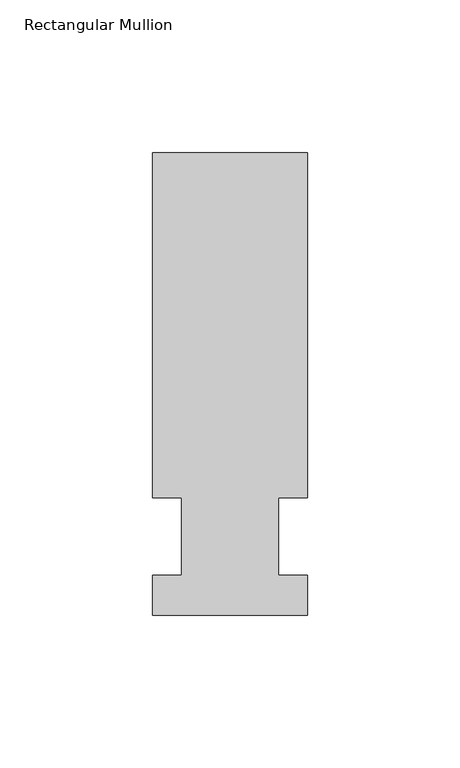
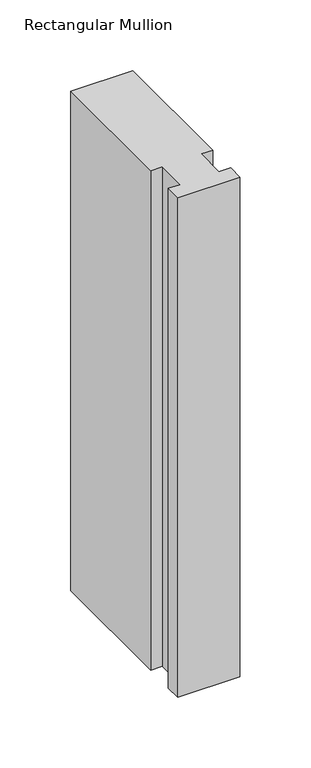
"""IFC4 building model written with IfcOpenShell, lengths in millimetres: member geometry, Rectangular Mullion."""

import ifcopenshell
import ifcopenshell.guid

model = None  # the IFC model being written
_history = None  # IfcOwnerHistory: only IFC2X3 demands one
_inside = {}  # id of a spatial element -> (the spatial element, [elements in it])
_under = {}  # id of a project, library or spatial element -> (it, [spatial elements below it])
_declared = {}  # id of a project -> (the project, [libraries it declares])
_typed = {}  # id of a type object -> (the type object, [elements of that type])
_made_of = {}  # id of a material, layer set ... -> (it, [elements and type objects made of it])


def new_model(schema):
    """Start an empty IFC model of exactly this schema.

    Asked for "IFC4X3", IfcOpenShell would pick the latest addendum, in which some entities
    have other attributes; the version numbers below select the first issue.
    IFC2X3 requires an IfcOwnerHistory on every rooted entity: one is made here for all.
    """
    global model, _history
    if schema == "IFC4X3":
        model = ifcopenshell.file(schema_version=(4, 3, 0, 0))
    else:
        model = ifcopenshell.file(schema=schema)
    _inside.clear()
    _under.clear()
    _declared.clear()
    _typed.clear()
    _made_of.clear()
    _history = None
    if model.schema == "IFC2X3":
        org = make("IfcOrganization", Name="unknown")
        user = make(
            "IfcPersonAndOrganization",
            ThePerson=make("IfcPerson", FamilyName="unknown"),
            TheOrganization=org,
        )
        app = make(
            "IfcApplication",
            ApplicationDeveloper=org,
            Version="unknown",
            ApplicationFullName="unknown",
            ApplicationIdentifier="unknown",
        )
        _history = make(
            "IfcOwnerHistory",
            OwningUser=user,
            OwningApplication=app,
            ChangeAction="ADDED",
            CreationDate=0,
        )
    return model


def make(cls, **values):
    """One entity of the class cls with the attributes given. An attribute that is None is left unset."""
    return model.create_entity(
        cls, **{name: value for name, value in values.items() if value is not None}
    )


def rooted(cls, **values):
    """An entity with a GlobalId (a new one), such as an element, a storey or a relation."""
    return make(cls, GlobalId=ifcopenshell.guid.new(), OwnerHistory=_history, **values)


def si_unit(unit_type, name, prefix=None):
    """IfcSIUnit, for example si_unit("LENGTHUNIT", "METRE", prefix="MILLI")."""
    return make("IfcSIUnit", UnitType=unit_type, Prefix=prefix, Name=name)


def assignment(units):
    """IfcUnitAssignment: the units of a project."""
    return None if units is None else make("IfcUnitAssignment", Units=units)


def point(xyz):
    """IfcCartesianPoint."""
    return None if xyz is None else make("IfcCartesianPoint", Coordinates=xyz)


def direction(xyz):
    """IfcDirection."""
    return None if xyz is None else make("IfcDirection", DirectionRatios=xyz)


def frame(location, z_axis=None, x_axis=None):
    """IfcAxis2Placement3D, a coordinate frame: its origin and axes. An axis left out is left unset."""
    return make(
        "IfcAxis2Placement3D",
        Location=point(location),
        Axis=direction(z_axis),
        RefDirection=direction(x_axis),
    )


def origin():
    """The frame at (0, 0, 0) with its axes left unset."""
    return frame((0.0, 0.0, 0.0))


def place(relative_to, where):
    """IfcLocalPlacement: puts the frame where relative to a parent placement (None: the world)."""
    return make(
        "IfcLocalPlacement", PlacementRelTo=relative_to, RelativePlacement=where
    )


def context(
    kind, dimensions, precision=None, world=None, true_north=None, identifier=None
):
    """IfcGeometricRepresentationContext, for example the 3D "Model" context."""
    return make(
        "IfcGeometricRepresentationContext",
        ContextIdentifier=identifier,
        ContextType=kind,
        CoordinateSpaceDimension=dimensions,
        Precision=precision,
        WorldCoordinateSystem=world,
        TrueNorth=true_north,
    )


def project(units=None, contexts=None):
    """IfcProject with its units and contexts."""
    return rooted(
        "IfcProject",
        Name="project",
        RepresentationContexts=contexts,
        UnitsInContext=assignment(units),
    )


def spatial(cls, under=None, at=None, **own):
    """A site, building, storey or space (cls), placed at a placement, below another one or the project."""
    s = rooted(cls, ObjectPlacement=at, **own)
    if under is not None:
        _under.setdefault(under.id(), (under, []))[1].append(s)
    return s


def polyline(points):
    """IfcPolyline through the points."""
    return make("IfcPolyline", Points=[point(p) for p in points])


def outline(outer, holes=None, kind="AREA"):
    """IfcArbitraryClosedProfileDef: a profile drawn as a closed curve; with holes, ...WithVoids."""
    if holes is None:
        return make("IfcArbitraryClosedProfileDef", ProfileType=kind, OuterCurve=outer)
    return make(
        "IfcArbitraryProfileDefWithVoids",
        ProfileType=kind,
        OuterCurve=outer,
        InnerCurves=holes,
    )


def extrude(swept, where, along, depth):
    """IfcExtrudedAreaSolid: the profile swept, set in the frame where, extruded along a direction by depth."""
    return make(
        "IfcExtrudedAreaSolid",
        SweptArea=swept,
        Position=where,
        ExtrudedDirection=direction(along),
        Depth=depth,
    )


def shape(context_of_items, identifier, shape_type, items):
    """IfcShapeRepresentation: the items that make up one representation, for example the "Body"."""
    return make(
        "IfcShapeRepresentation",
        ContextOfItems=context_of_items,
        RepresentationIdentifier=identifier,
        RepresentationType=shape_type,
        Items=items,
    )


def source(mapping_origin, context_of_items, identifier, shape_type, items):
    """IfcRepresentationMap: a shape defined once, which mapped items show again and again."""
    return make(
        "IfcRepresentationMap",
        MappingOrigin=mapping_origin,
        MappedRepresentation=shape(context_of_items, identifier, shape_type, items),
    )


def transform(
    local_origin,
    x_axis=None,
    y_axis=None,
    z_axis=None,
    scale=None,
    scale2=None,
    scale3=None,
    uniform=True,
):
    """IfcCartesianTransformationOperator3D, or its non-uniform kind. x_axis, y_axis, z_axis: its Axis1, 2, 3."""
    if uniform:
        return make(
            "IfcCartesianTransformationOperator3D",
            Axis1=direction(x_axis),
            Axis2=direction(y_axis),
            LocalOrigin=point(local_origin),
            Scale=scale,
            Axis3=direction(z_axis),
        )
    return make(
        "IfcCartesianTransformationOperator3DnonUniform",
        Axis1=direction(x_axis),
        Axis2=direction(y_axis),
        LocalOrigin=point(local_origin),
        Scale=scale,
        Axis3=direction(z_axis),
        Scale2=scale2,
        Scale3=scale3,
    )


def mapped(mapping_source, mapping_target):
    """IfcMappedItem: shows the shape of a source again, moved by a transform."""
    return make(
        "IfcMappedItem", MappingSource=mapping_source, MappingTarget=mapping_target
    )


def made_of(thing, what):
    """Note that an element or type object is made of a material, layer set ...; save() writes the relation."""
    if what is not None:
        _made_of.setdefault(what.id(), (what, []))[1].append(thing)
    return thing


def element(
    cls,
    number,
    at=None,
    inside=None,
    cuts=None,
    type_object=None,
    material=None,
    context=None,
    identifier="Body",
    shape_type=None,
    held_by="IfcProductDefinitionShape",
    body=None,
    shapes=None,
    **own,
):
    """One element of the class cls, such as IfcWall. Its Tag is "e" and its number.

    at: its placement. inside: the storey or other place that contains it. cuts: it is an
    opening in that element (IfcRelVoidsElement). A single representation is given by context,
    identifier, shape_type and body (its items); several are given by shapes. held_by: the class
    of the entity that holds the representations. save() writes the other relations.
    """
    e = rooted(cls, Tag="e%d" % number, ObjectPlacement=at, **own)
    if body is not None:
        shapes = [shape(context, identifier, shape_type, body)]
    if shapes is not None:
        e.Representation = make(held_by, Representations=shapes)
    if inside is not None:
        _inside.setdefault(inside.id(), (inside, []))[1].append(e)
    if cuts is not None:
        rooted(
            "IfcRelVoidsElement", RelatingBuildingElement=cuts, RelatedOpeningElement=e
        )
    if type_object is not None:
        _typed.setdefault(type_object.id(), (type_object, []))[1].append(e)
    return made_of(e, material)


def aggregate(whole, parts):
    """IfcRelAggregates: a whole, such as a stair, and the parts it consists of."""
    return rooted("IfcRelAggregates", RelatingObject=whole, RelatedObjects=parts)


def save(model, path):
    """Write the relations noted so far, then the file.

    IfcRelAggregates (storeys below a building ...), IfcRelContainedInSpatialStructure (elements
    in a storey), IfcRelDefinesByType, IfcRelAssociatesMaterial and IfcRelDeclares: one each for
    every whole, place, type object, material and project.
    """
    for whole, parts in _under.values():
        aggregate(whole, parts)
    for where, things in _inside.values():
        rooted(
            "IfcRelContainedInSpatialStructure",
            RelatedElements=things,
            RelatingStructure=where,
        )
    for kind, things in _typed.values():
        rooted("IfcRelDefinesByType", RelatedObjects=things, RelatingType=kind)
    for what, things in _made_of.values():
        rooted("IfcRelAssociatesMaterial", RelatedObjects=things, RelatingMaterial=what)
    for by, libraries in _declared.values():
        rooted("IfcRelDeclares", RelatingContext=by, RelatedDefinitions=libraries)
    model.write(path)


def rectangular_mullion_5f3deb4f(model_context):
    return source(origin(), model_context, "Body", "SweptSolid", [
        extrude(outline(polyline([(-25.4, -25.796875), (-25.4, -12.7), (-15.875, -12.7), (-15.875, 12.7), (-25.4, 12.7), (-25.4, 125.809375), (25.4, 125.809375), (25.4, 12.7), (15.875, 12.7), (15.875, -12.7), (25.4, -12.7), (25.4, -25.796875), (-25.4, -25.796875)])), frame((0.0, 0.0, -431.8), z_axis=(0.0, 0.0, 1.0), x_axis=(1.0, 0.0, 0.0)), (0.0, 0.0, 1.0), 431.8),
    ])


if __name__ == "__main__":
    model = new_model("IFC4")
    model_context = context("Model", 3, world=origin())
    ifc_project = project(units=[si_unit("LENGTHUNIT", "METRE", prefix="MILLI")], contexts=[model_context])
    site = spatial("IfcSite", under=ifc_project)
    building = spatial("IfcBuilding", under=site)
    placement = place(None, origin())
    rectangular_mullion_shape = rectangular_mullion_5f3deb4f(model_context)
    element("IfcMember", 1, ObjectType="Rectangular Mullion", at=placement, inside=building, context=model_context, shape_type="MappedRepresentation", body=[
        mapped(rectangular_mullion_shape, transform((0.0, 0.0, 0.0), x_axis=(1.0, 0.0, 0.0), y_axis=(0.0, 1.0, 0.0), z_axis=(0.0, 0.0, 1.0))),
    ])
    save(model, "model.ifc")
